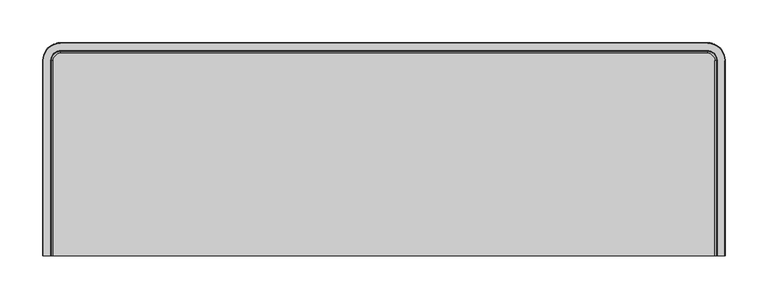
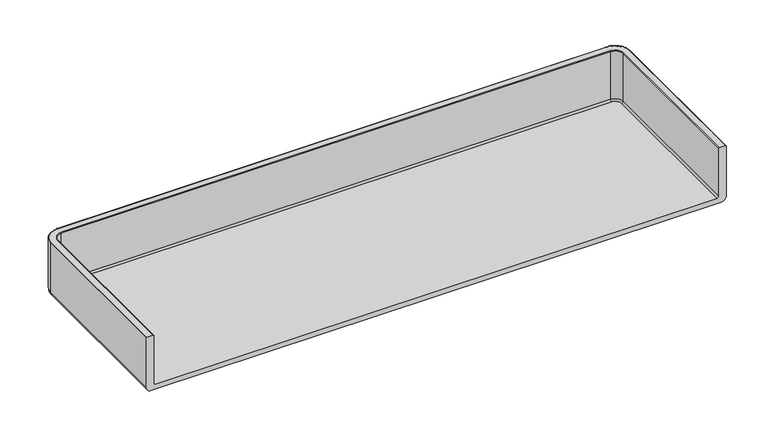
"""IFC4 building model written with IfcOpenShell, lengths in millimetres: furniture geometry."""

from ifc_helpers import new_model, si_unit, point, frame, origin, place, context, project, spatial, polyline, circle_curve, ellipse_curve, trimmed, source, transform, mapped, element, save
from ifc_brep_helpers import plane_surface, cylinder_surface, revolved_surface, advanced_brep


def furniture_af062be3(model_context):
    return source(origin(), model_context, "Body", "AdvancedBrep", [
        advanced_brep(
        [(32.5660917, 220.8239098, 674.908877), (38.9160917, 220.8239098, 681.258877), (38.9160917, 220.8239098, 754.0509026), (38.1032917, 220.8239098, 754.8637026), (29.8148893, 220.8239098, 754.8637026), (29.0020893, 220.8239098, 754.0509026), (29.0020893, 220.8239098, 684.4013995), (26.4620893, 220.8239098, 681.8613995), (-748.7299059, 220.8239098, 681.8613995), (-751.2699059, 220.8239098, 684.4013995), (-751.2699059, 220.8239098, 754.0509026), (-752.0827059, 220.8239098, 754.8637026), (-760.3711083, 220.8239098, 754.8637026), (-761.1839083, 220.8239098, 754.0509026), (-761.1839083, 220.8239098, 681.258877), (-754.8339083, 220.8239098, 674.908877), (-754.8339083, 449.4239098, 674.908877), (-739.8310105, 464.4268076, 674.908877), (17.5631939, 464.4268076, 674.908877), (32.5660917, 449.4239098, 674.908877), (38.9160917, 449.4239098, 681.258877), (38.9160917, 449.4239098, 754.0509026), (38.1032917, 449.4239098, 754.8637026), (17.5631939, 469.9640076, 754.8637026), (-739.8310105, 469.9640076, 754.8637026), (-760.3711083, 449.4239098, 754.8637026), (-752.0827059, 449.4239098, 754.8637026), (-739.8310105, 461.6756052, 754.8637026), (17.5631939, 461.6756052, 754.8637026), (29.8148893, 449.4239098, 754.8637026), (29.0020893, 449.4239098, 754.0509026), (29.0020893, 449.4239098, 684.4013995), (26.4620893, 449.4239098, 681.8613995), (17.5631939, 458.3228052, 681.8613995), (-739.8310105, 458.3228052, 681.8613995), (-748.7299059, 449.4239098, 681.8613995), (-739.8310105, 470.7768076, 681.258877), (17.5631939, 470.7768076, 681.258877), (-739.8310105, 470.7768076, 754.0509026), (17.5631939, 470.7768076, 754.0509026), (-739.8310105, 460.8628052, 754.0509026), (17.5631939, 460.8628052, 754.0509026), (-739.8310105, 460.8628052, 684.4013995), (17.5631939, 460.8628052, 684.4013995), (-761.1839083, 449.4239098, 681.258877), (-761.1839083, 449.4239098, 754.0509026), (-751.2699059, 449.4239098, 754.0509026), (-751.2699059, 449.4239098, 684.4013995)],
        [
            (0, 1, circle_curve(frame((32.5660917, 220.8239098, 681.258877), z_axis=(0.0, -1.0, 0.0), x_axis=(-1.0, 0.0, 0.0)), 6.35)),
            (1, 2),
            (2, 3, circle_curve(frame((38.1032917, 220.8239098, 754.0509026), z_axis=(0.0, -1.0, 0.0), x_axis=(-1.0, 0.0, 0.0)), 0.8128)),
            (3, 4),
            (4, 5, circle_curve(frame((29.8148893, 220.8239098, 754.0509026), z_axis=(0.0, -1.0, 0.0), x_axis=(-1.0, 0.0, 0.0)), 0.8128)),
            (5, 6),
            (6, 7, circle_curve(frame((26.4620893, 220.8239098, 684.4013995), z_axis=(0.0, 1.0, 0.0), x_axis=(-1.0, 0.0, 0.0)), 2.54)),
            (7, 8),
            (8, 9, circle_curve(frame((-748.7299059, 220.8239098, 684.4013995), z_axis=(0.0, 1.0, 0.0), x_axis=(1.0, 0.0, 0.0)), 2.54)),
            (9, 10),
            (10, 11, circle_curve(frame((-752.0827059, 220.8239098, 754.0509026), z_axis=(0.0, -1.0, 0.0), x_axis=(1.0, 0.0, 0.0)), 0.8128)),
            (11, 12),
            (12, 13, circle_curve(frame((-760.3711083, 220.8239098, 754.0509026), z_axis=(0.0, -1.0, 0.0), x_axis=(1.0, 0.0, 0.0)), 0.8128)),
            (13, 14),
            (14, 15, circle_curve(frame((-754.8339083, 220.8239098, 681.258877), z_axis=(0.0, -1.0, 0.0), x_axis=(1.0, 0.0, 0.0)), 6.35)),
            (15, 0),
            (15, 16),
            (16, 17, circle_curve(frame((-739.8310105, 449.4239098, 674.908877), z_axis=(0.0, 0.0, -1.0), x_axis=(0.0, 1.0, 0.0)), 15.0028978)),
            (17, 18),
            (18, 19, circle_curve(frame((17.5631939, 449.4239098, 674.908877), z_axis=(0.0, 0.0, -1.0), x_axis=(1.0, 0.0, 0.0)), 15.0028978)),
            (19, 0),
            (19, 20, circle_curve(frame((32.5660917, 449.4239098, 681.258877), z_axis=(0.0, -1.0, 0.0), x_axis=(-1.0, 0.0, 0.0)), 6.35)),
            (20, 1),
            (20, 21),
            (21, 2),
            (21, 22, circle_curve(frame((38.1032917, 449.4239098, 754.0509026), z_axis=(0.0, -1.0, 0.0), x_axis=(-1.0, 0.0, 0.0)), 0.8128)),
            (22, 3),
            (22, 23, circle_curve(frame((17.5631939, 449.4239098, 754.8637026), z_axis=(0.0, 0.0, 1.0), x_axis=(1.0, 0.0, 0.0)), 20.5400978)),
            (23, 24),
            (24, 25, circle_curve(frame((-739.8310105, 449.4239098, 754.8637026), z_axis=(0.0, 0.0, 1.0), x_axis=(0.0, 1.0, 0.0)), 20.5400978)),
            (25, 12),
            (11, 26),
            (26, 27, circle_curve(frame((-739.8310105, 449.4239098, 754.8637026), z_axis=(0.0, 0.0, -1.0), x_axis=(0.0, 1.0, 0.0)), 12.2516954)),
            (27, 28),
            (28, 29, circle_curve(frame((17.5631939, 449.4239098, 754.8637026), z_axis=(0.0, 0.0, -1.0), x_axis=(1.0, 0.0, 0.0)), 12.2516954)),
            (29, 4),
            (29, 30, circle_curve(frame((29.8148893, 449.4239098, 754.0509026), z_axis=(0.0, -1.0, 0.0), x_axis=(-1.0, 0.0, 0.0)), 0.8128)),
            (30, 5),
            (30, 31),
            (31, 6),
            (31, 32, circle_curve(frame((26.4620893, 449.4239098, 684.4013995), z_axis=(0.0, 1.0, 0.0), x_axis=(-1.0, 0.0, 0.0)), 2.54)),
            (32, 7),
            (32, 33, circle_curve(frame((17.5631939, 449.4239098, 681.8613995), z_axis=(0.0, 0.0, 1.0), x_axis=(1.0, 0.0, 0.0)), 8.8988954)),
            (33, 34),
            (34, 35, circle_curve(frame((-739.8310105, 449.4239098, 681.8613995), z_axis=(0.0, 0.0, 1.0), x_axis=(0.0, 1.0, 0.0)), 8.8988954)),
            (35, 8),
            (17, 36, circle_curve(frame((-739.8310105, 464.4268076, 681.258877), z_axis=(1.0, 0.0, 0.0), x_axis=(0.0, -1.0, 0.0)), 6.35)),
            (36, 37),
            (37, 18, circle_curve(frame((17.5631939, 464.4268076, 681.258877), z_axis=(-1.0, 0.0, 0.0), x_axis=(0.0, -1.0, 0.0)), 6.35)),
            (36, 38),
            (38, 39),
            (39, 37),
            (23, 39, circle_curve(frame((17.5631939, 469.9640076, 754.0509026), z_axis=(-1.0, 0.0, 0.0), x_axis=(0.0, -1.0, 0.0)), 0.8128)),
            (38, 24, circle_curve(frame((-739.8310105, 469.9640076, 754.0509026), z_axis=(1.0, 0.0, 0.0), x_axis=(0.0, -1.0, 0.0)), 0.8128)),
            (27, 40, circle_curve(frame((-739.8310105, 461.6756052, 754.0509026), z_axis=(1.0, 0.0, 0.0), x_axis=(0.0, -1.0, 0.0)), 0.8128)),
            (40, 41),
            (41, 28, circle_curve(frame((17.5631939, 461.6756052, 754.0509026), z_axis=(-1.0, 0.0, 0.0), x_axis=(0.0, -1.0, 0.0)), 0.8128)),
            (40, 42),
            (42, 43),
            (43, 41),
            (33, 43, circle_curve(frame((17.5631939, 458.3228052, 684.4013995), z_axis=(1.0, 0.0, 0.0), x_axis=(0.0, -1.0, 0.0)), 2.54)),
            (42, 34, circle_curve(frame((-739.8310105, 458.3228052, 684.4013995), z_axis=(-1.0, 0.0, 0.0), x_axis=(0.0, -1.0, 0.0)), 2.54)),
            (14, 44),
            (44, 16, circle_curve(frame((-754.8339083, 449.4239098, 681.258877), z_axis=(0.0, -1.0, 0.0), x_axis=(1.0, 0.0, 0.0)), 6.35)),
            (13, 45),
            (45, 44),
            (25, 45, circle_curve(frame((-760.3711083, 449.4239098, 754.0509026), z_axis=(0.0, -1.0, 0.0), x_axis=(1.0, 0.0, 0.0)), 0.8128)),
            (10, 46),
            (46, 26, circle_curve(frame((-752.0827059, 449.4239098, 754.0509026), z_axis=(0.0, -1.0, 0.0), x_axis=(1.0, 0.0, 0.0)), 0.8128)),
            (9, 47),
            (47, 46),
            (35, 47, circle_curve(frame((-748.7299059, 449.4239098, 684.4013995), z_axis=(0.0, 1.0, 0.0), x_axis=(1.0, 0.0, 0.0)), 2.54)),
            (37, 20, circle_curve(frame((17.5631939, 449.4239098, 681.258877), z_axis=(0.0, 0.0, -1.0), x_axis=(1.0, 0.0, 0.0)), 21.3528978)),
            (39, 21, circle_curve(frame((17.5631939, 449.4239098, 754.0509026), z_axis=(0.0, 0.0, -1.0), x_axis=(1.0, 0.0, 0.0)), 21.3528978)),
            (41, 30, circle_curve(frame((17.5631939, 449.4239098, 754.0509026), z_axis=(0.0, 0.0, -1.0), x_axis=(1.0, 0.0, 0.0)), 11.4388954)),
            (43, 31, circle_curve(frame((17.5631939, 449.4239098, 684.4013995), z_axis=(0.0, 0.0, -1.0), x_axis=(1.0, 0.0, 0.0)), 11.4388954)),
            (44, 36, circle_curve(frame((-739.8310105, 449.4239098, 681.258877), z_axis=(0.0, 0.0, -1.0), x_axis=(0.0, 1.0, 0.0)), 21.3528978)),
            (45, 38, circle_curve(frame((-739.8310105, 449.4239098, 754.0509026), z_axis=(0.0, 0.0, -1.0), x_axis=(0.0, 1.0, 0.0)), 21.3528978)),
            (46, 40, circle_curve(frame((-739.8310105, 449.4239098, 754.0509026), z_axis=(0.0, 0.0, -1.0), x_axis=(0.0, 1.0, 0.0)), 11.4388954)),
            (47, 42, circle_curve(frame((-739.8310105, 449.4239098, 684.4013995), z_axis=(0.0, 0.0, -1.0), x_axis=(0.0, 1.0, 0.0)), 11.4388954)),
        ],
        [
            plane_surface(frame((18.3759939, 220.8239098, 0.0), z_axis=(0.0, -1.0, 0.0), x_axis=(0.0, 0.0, 1.0))),
            plane_surface(frame((18.3759939, 220.8239098, 674.908877), z_axis=(0.0, 0.0, -1.0), x_axis=(0.0, 1.0, 0.0))),
            cylinder_surface(frame((32.5660917, 220.8239098, 681.258877), z_axis=(0.0, -1.0, 0.0), x_axis=(-1.0, 0.0, 0.0)), 6.35),
            plane_surface(frame((38.9160917, 220.8239098, 681.258877), z_axis=(1.0, 0.0, 0.0), x_axis=(0.0, 1.0, 0.0))),
            cylinder_surface(frame((38.1032917, 220.8239098, 754.0509026), z_axis=(0.0, -1.0, 0.0), x_axis=(-1.0, 0.0, 0.0)), 0.8128),
            plane_surface(frame((38.1032917, 220.8239098, 754.8637026), z_axis=(0.0, 0.0, 1.0), x_axis=(0.0, 1.0, 0.0))),
            cylinder_surface(frame((29.8148893, 220.8239098, 754.0509026), z_axis=(0.0, -1.0, 0.0), x_axis=(-1.0, 0.0, 0.0)), 0.8128),
            plane_surface(frame((29.0020893, 220.8239098, 754.0509026), z_axis=(-1.0, 0.0, 0.0), x_axis=(0.0, 1.0, 0.0))),
            revolved_surface(polyline([(23.9220893, 449.4239098, 684.4013995), (23.9220893, 220.8239098, 684.4013995)]), (26.4620893, 220.8239098, 684.4013995), (0.0, 1.0, 0.0)),
            plane_surface(frame((26.4620893, 220.8239098, 681.8613995), z_axis=(0.0, 0.0, 1.0), x_axis=(0.0, 1.0, 0.0))),
            cylinder_surface(frame((17.5631939, 464.4268076, 681.258877), z_axis=(1.0, 0.0, 0.0), x_axis=(0.0, -1.0, 0.0)), 6.35),
            plane_surface(frame((17.5631939, 470.7768076, 681.258877), z_axis=(0.0, 1.0, 0.0), x_axis=(-1.0, 0.0, 0.0))),
            cylinder_surface(frame((17.5631939, 469.9640076, 754.0509026), z_axis=(1.0, 0.0, 0.0), x_axis=(0.0, -1.0, 0.0)), 0.8128),
            cylinder_surface(frame((17.5631939, 461.6756052, 754.0509026), z_axis=(1.0, 0.0, 0.0), x_axis=(0.0, -1.0, 0.0)), 0.8128),
            plane_surface(frame((17.5631939, 460.8628052, 754.0509026), z_axis=(0.0, -1.0, 0.0), x_axis=(-1.0, 0.0, 0.0))),
            revolved_surface(polyline([(-739.8310105, 455.7828052, 684.4013995), (17.5631939, 455.7828052, 684.4013995)]), (17.5631939, 458.3228052, 684.4013995), (-1.0, 0.0, 0.0)),
            cylinder_surface(frame((-754.8339083, 449.4239098, 681.258877), z_axis=(0.0, 1.0, 0.0), x_axis=(1.0, 0.0, 0.0)), 6.35),
            plane_surface(frame((-761.1839083, 449.4239098, 681.258877), z_axis=(-1.0, 0.0, 0.0), x_axis=(0.0, -1.0, 0.0))),
            cylinder_surface(frame((-760.3711083, 449.4239098, 754.0509026), z_axis=(0.0, 1.0, 0.0), x_axis=(1.0, 0.0, 0.0)), 0.8128),
            cylinder_surface(frame((-752.0827059, 449.4239098, 754.0509026), z_axis=(0.0, 1.0, 0.0), x_axis=(1.0, 0.0, 0.0)), 0.8128),
            plane_surface(frame((-751.2699059, 449.4239098, 754.0509026), z_axis=(1.0, 0.0, 0.0), x_axis=(0.0, -1.0, 0.0))),
            revolved_surface(polyline([(-746.1899059, 220.8239098, 684.4013995), (-746.1899059, 449.4239098, 684.4013995)]), (-748.7299059, 449.4239098, 684.4013995), (0.0, -1.0, 0.0)),
            revolved_surface(trimmed(ellipse_curve(frame((32.5660917, 449.4239098, 681.258877), z_axis=(0.0, -1.0, 0.0), x_axis=(-1.0, 0.0, 0.0)), 6.35, 6.35), [point((32.5660917, 449.4239098, 674.908877))], [point((38.9160917, 449.4239098, 681.258877))], True, "CARTESIAN"), (17.5631939, 449.4239098, 0.0), (0.0, 0.0, 1.0)),
            cylinder_surface(frame((17.5631939, 449.4239098, 0.0), z_axis=(0.0, 0.0, 1.0), x_axis=(1.0, 0.0, 0.0)), 21.3528978),
            revolved_surface(trimmed(ellipse_curve(frame((38.1032917, 449.4239098, 754.0509026), z_axis=(0.0, -1.0, 0.0), x_axis=(-1.0, 0.0, 0.0)), 0.8128, 0.8128), [point((38.9160917, 449.4239098, 754.0509026))], [point((38.1032917, 449.4239098, 754.8637026))], True, "CARTESIAN"), (17.5631939, 449.4239098, 0.0), (0.0, 0.0, 1.0)),
            revolved_surface(trimmed(ellipse_curve(frame((29.8148893, 449.4239098, 754.0509026), z_axis=(0.0, -1.0, 0.0), x_axis=(-1.0, 0.0, 0.0)), 0.8128, 0.8128), [point((29.8148893, 449.4239098, 754.8637026))], [point((29.0020893, 449.4239098, 754.0509026))], True, "CARTESIAN"), (17.5631939, 449.4239098, 0.0), (0.0, 0.0, 1.0)),
            revolved_surface(polyline([(29.0020893, 449.4239098, 754.0509026), (29.0020893, 449.4239098, 684.4013995)]), (17.5631939, 449.4239098, 0.0), (0.0, 0.0, 1.0)),
            revolved_surface(trimmed(ellipse_curve(frame((26.4620893, 449.4239098, 684.4013995), z_axis=(0.0, 1.0, 0.0), x_axis=(-1.0, 0.0, 0.0)), 2.54, 2.54), [point((29.0020893, 449.4239098, 684.4013995))], [point((26.4620893, 449.4239098, 681.8613995))], True, "CARTESIAN"), (17.5631939, 449.4239098, 0.0), (0.0, 0.0, 1.0)),
            revolved_surface(trimmed(ellipse_curve(frame((-739.8310105, 464.4268076, 681.258877), z_axis=(1.0, 0.0, 0.0), x_axis=(0.0, -1.0, 0.0)), 6.35, 6.35), [point((-739.8310105, 464.4268076, 674.908877))], [point((-739.8310105, 470.7768076, 681.258877))], True, "CARTESIAN"), (-739.8310105, 449.4239098, 0.0), (0.0, 0.0, 1.0)),
            cylinder_surface(frame((-739.8310105, 449.4239098, 0.0), z_axis=(0.0, 0.0, 1.0), x_axis=(0.0, 1.0, 0.0)), 21.3528978),
            revolved_surface(trimmed(ellipse_curve(frame((-739.8310105, 469.9640076, 754.0509026), z_axis=(1.0, 0.0, 0.0), x_axis=(0.0, -1.0, 0.0)), 0.8128, 0.8128), [point((-739.8310105, 470.7768076, 754.0509026))], [point((-739.8310105, 469.9640076, 754.8637026))], True, "CARTESIAN"), (-739.8310105, 449.4239098, 0.0), (0.0, 0.0, 1.0)),
            revolved_surface(trimmed(ellipse_curve(frame((-739.8310105, 461.6756052, 754.0509026), z_axis=(1.0, 0.0, 0.0), x_axis=(0.0, -1.0, 0.0)), 0.8128, 0.8128), [point((-739.8310105, 461.6756052, 754.8637026))], [point((-739.8310105, 460.8628052, 754.0509026))], True, "CARTESIAN"), (-739.8310105, 449.4239098, 0.0), (0.0, 0.0, 1.0)),
            revolved_surface(polyline([(-739.8310105, 460.86280519999997, 754.0509026), (-739.8310105, 460.86280519999997, 684.4013995)]), (-739.8310105, 449.4239098, 0.0), (0.0, 0.0, 1.0)),
            revolved_surface(trimmed(ellipse_curve(frame((-739.8310105, 458.3228052, 684.4013995), z_axis=(-1.0, 0.0, 0.0), x_axis=(0.0, -1.0, 0.0)), 2.54, 2.54), [point((-739.8310105, 460.8628052, 684.4013995))], [point((-739.8310105, 458.3228052, 681.8613995))], True, "CARTESIAN"), (-739.8310105, 449.4239098, 0.0), (0.0, 0.0, 1.0)),
        ],
        [
            (0, [[1, 2, 3, 4, 5, 6, 7, 8, 9, 10, 11, 12, 13, 14, 15, 16]]),
            (1, [[-16, 17, 18, 19, 20, 21]]),
            (2, [[-1, -21, 22, 23]]),
            (3, [[-2, -23, 24, 25]]),
            (4, [[-3, -25, 26, 27]]),
            (5, [[-4, -27, 28, 29, 30, 31, -12, 32, 33, 34, 35, 36]]),
            (6, [[-5, -36, 37, 38]]),
            (7, [[-6, -38, 39, 40]]),
            (8, [[-7, -40, 41, 42]]),
            (9, [[-8, -42, 43, 44, 45, 46]]),
            (10, [[-19, 47, 48, 49]]),
            (11, [[-48, 50, 51, 52]]),
            (12, [[-29, 53, -51, 54]]),
            (13, [[-34, 55, 56, 57]]),
            (14, [[-56, 58, 59, 60]]),
            (15, [[-44, 61, -59, 62]]),
            (16, [[-17, -15, 63, 64]]),
            (17, [[-14, 65, 66, -63]]),
            (18, [[-31, 67, -65, -13]]),
            (19, [[-32, -11, 68, 69]]),
            (20, [[-10, 70, 71, -68]]),
            (21, [[-46, 72, -70, -9]]),
            (22, [[-20, -49, 73, -22]]),
            (23, [[-24, -73, -52, 74]]),
            (24, [[-26, -74, -53, -28]]),
            (25, [[-35, -57, 75, -37]]),
            (26, [[-39, -75, -60, 76]]),
            (27, [[-41, -76, -61, -43]]),
            (28, [[-18, -64, 77, -47]]),
            (29, [[-50, -77, -66, 78]]),
            (30, [[-30, -54, -78, -67]]),
            (31, [[-33, -69, 79, -55]]),
            (32, [[-58, -79, -71, 80]]),
            (33, [[-45, -62, -80, -72]]),
        ],
    ),
    ])


if __name__ == "__main__":
    model = new_model("IFC4")
    model_context = context("Model", 3, world=origin())
    ifc_project = project(units=[si_unit("LENGTHUNIT", "METRE", prefix="MILLI")], contexts=[model_context])
    site = spatial("IfcSite", under=ifc_project)
    building = spatial("IfcBuilding", under=site)
    placement = place(None, origin())
    furniture_shape = furniture_af062be3(model_context)
    element("IfcFurniture", 1, at=placement, inside=building, context=model_context, shape_type="MappedRepresentation", body=[
        mapped(furniture_shape, transform((0.0, 0.0, 0.0), x_axis=(1.0, 0.0, 0.0), y_axis=(0.0, 1.0, 0.0), z_axis=(0.0, 0.0, 1.0))),
    ])
    save(model, "model.ifc")
